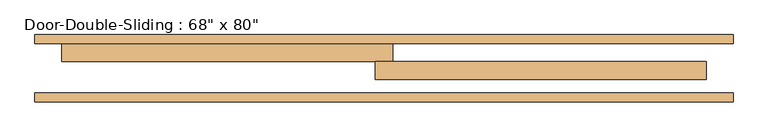
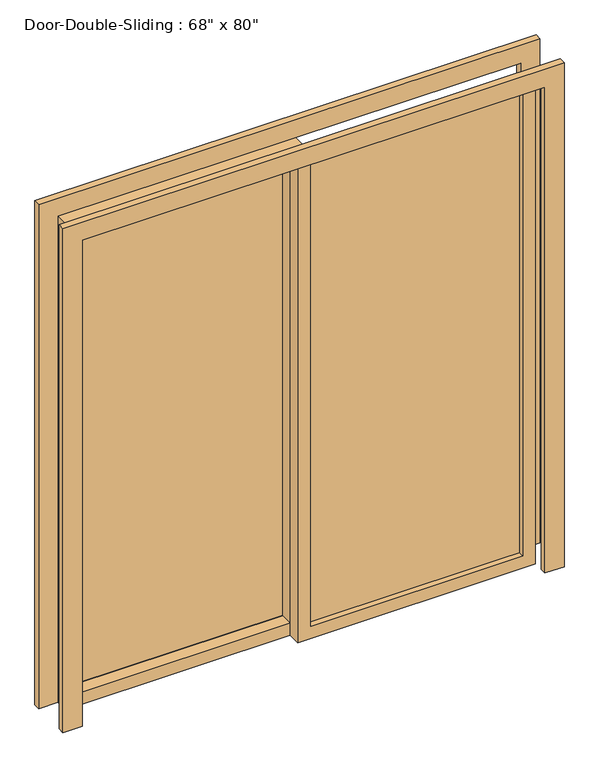
"""IFC4 building model written with IfcOpenShell, lengths in millimetres: door geometry."""

from ifc_helpers import new_model, si_unit, frame, origin, place, context, project, spatial, polyline, outline, extrude, source, transform, mapped, element, save


def door_f3919663(model_context):
    return source(origin(), model_context, "Body", "SweptSolid", [
        extrude(outline(polyline([(0.0, -990.6), (0.0, -914.4), (2032.0, -914.4), (2032.0, 914.4), (0.0, 914.4), (0.0, 990.6), (2108.2, 990.6), (2108.2, -990.6), (0.0, -990.6)])), frame((0.0, 31.75, 0.0), z_axis=(0.0, 1.0, 0.0), x_axis=(0.0, 0.0, 1.0)), (0.0, 0.0, 1.0), 25.4),
        extrude(outline(polyline([(0.0, 990.6), (2108.2, 990.6), (2108.2, -990.6), (0.0, -990.6), (0.0, -914.4), (2032.0, -914.4), (2032.0, 914.4), (0.0, 914.4), (0.0, 990.6)])), frame((0.0, 196.85, 0.0), z_axis=(0.0, 1.0, 0.0), x_axis=(0.0, 0.0, 1.0)), (0.0, 0.0, 1.0), 25.4),
        extrude(outline(polyline([(2032.0, -25.4), (0.0, -25.4), (0.0, 914.4), (2032.0, 914.4), (2032.0, -25.4)]), holes=[polyline([(1981.2, 25.4), (1981.2, 863.6), (50.8, 863.6), (50.8, 25.4), (1981.2, 25.4)])]), frame((0.0, 95.25, 0.0), z_axis=(0.0, 1.0, 0.0), x_axis=(0.0, 0.0, 1.0)), (0.0, 0.0, 1.0), 50.8),
        extrude(outline(polyline([(2032.0, 25.4), (2032.0, -914.4), (0.0, -914.4), (0.0, 25.4), (2032.0, 25.4)]), holes=[polyline([(1981.2, -25.4), (50.8, -25.4), (50.8, -863.6), (1981.2, -863.6), (1981.2, -25.4)])]), frame((0.0, 146.05, 0.0), z_axis=(0.0, 1.0, 0.0), x_axis=(0.0, 0.0, 1.0)), (0.0, 0.0, 1.0), 50.8),
        extrude(outline(polyline([(25.4, 123.825), (863.6, 123.825), (863.6, 117.475), (25.4, 117.475), (25.4, 123.825)])), frame((0.0, 0.0, 50.8), z_axis=(0.0, 0.0, 1.0), x_axis=(1.0, 0.0, 0.0)), (0.0, 0.0, 1.0), 1930.4),
        extrude(outline(polyline([(-25.4, 200.025), (-863.6, 200.025), (-863.6, 206.375), (-25.4, 206.375), (-25.4, 200.025)])), frame((0.0, 0.0, 50.8), z_axis=(0.0, 0.0, 1.0), x_axis=(1.0, 0.0, 0.0)), (0.0, 0.0, 1.0), 1930.4),
    ])


if __name__ == "__main__":
    model = new_model("IFC4")
    model_context = context("Model", 3, world=origin())
    ifc_project = project(units=[si_unit("LENGTHUNIT", "METRE", prefix="MILLI")], contexts=[model_context])
    site = spatial("IfcSite", under=ifc_project)
    building = spatial("IfcBuilding", under=site)
    placement = place(None, origin())
    door_shape = door_f3919663(model_context)
    element("IfcDoor", 1, ObjectType="Door-Double-Sliding : 68\" x 80\"", at=placement, inside=building, context=model_context, shape_type="MappedRepresentation", body=[
        mapped(door_shape, transform((0.0, 0.0, 0.0), x_axis=(1.0, 0.0, 0.0), y_axis=(0.0, 1.0, 0.0), z_axis=(0.0, 0.0, 1.0))),
    ])
    save(model, "model.ifc")
